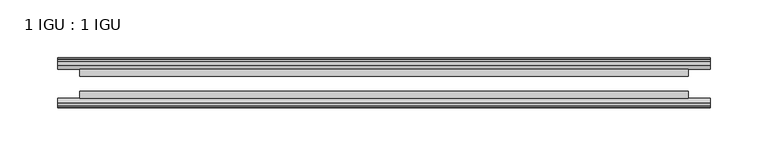
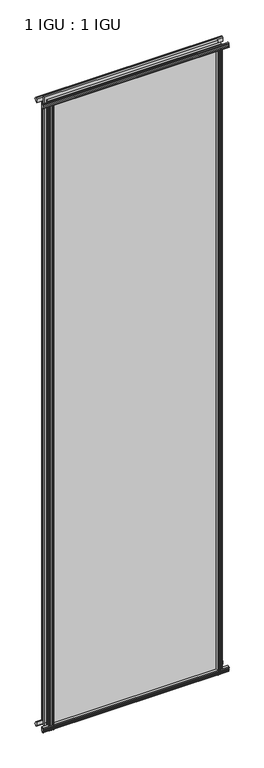
"""IFC4 building model written with IfcOpenShell, lengths in millimetres: plate geometry, 1 IGU : 1 IGU."""

from ifc_helpers import new_model, si_unit, point, frame, frame_2d, origin, place, context, project, spatial, polyline, circle_curve, trimmed, segment, composite_curve, outline, extrude, source, transform, mapped, element, save


def plate_1_igu_1_igu_a8c45f49(model_context):
    return source(origin(), model_context, "Body", "SweptSolid", [
        extrude(outline(composite_curve([segment(polyline([(-46.2359545, 2001.8775265), (-46.2359545, 1990.8553092), (-53.3197108, 1992.2226185)]), True, "CONTINUOUS"), segment(trimmed(circle_curve(frame_2d((-53.1447545, 1993.2234413)), 1.016), [point((-53.3197108, 1992.2226185))], [point((-53.8888005, 1993.9152878))], False, "CARTESIAN"), True, "CONTINUOUS"), segment(polyline([(-53.8888005, 1993.9152878), (-52.5859205, 1993.7314413), (-52.5859205, 1999.1416413), (-54.0652165, 1999.4024811), (-52.5859205, 2001.9864413), (-52.5859205, 2005.1614413)]), True, "CONTINUOUS"), segment(trimmed(circle_curve(frame_2d((-51.3159205, 2005.1614413)), 1.27), [point((-52.5859205, 2005.1614413))], [point((-50.4178949, 2006.059467))], False, "CARTESIAN"), True, "CONTINUOUS"), segment(polyline([(-50.4178949, 2006.059467), (-46.2359545, 2001.8775265)]), True, "CONTINUOUS")], self_intersect=False)), frame((-282.5595272, 0.0, 0.0), z_axis=(1.0, 0.0, 0.0), x_axis=(0.0, 1.0, 0.0)), (0.0, 0.0, 1.0), 565.1190544),
        extrude(outline(polyline([(-17.4323375, 2006.3139519), (-14.4859375, 2006.3139519), (-14.4859375, 2001.8689519), (-12.1057405, 2001.4879519), (-12.5656738, 2002.903481), (-11.7644596, 2002.903481), (-11.0569375, 2000.7259519), (-11.7644596, 1998.5484229), (-12.5656738, 1998.5484229), (-12.1057405, 1999.9639519), (-14.4859375, 1999.5829519), (-14.4859375, 1994.3759519), (-20.8359545, 1992.6582293), (-20.8359545, 2003.4795957), (-17.4323375, 2006.3139519)])), frame((-282.5595272, 0.0, 0.0), z_axis=(1.0, 0.0, 0.0), x_axis=(0.0, 1.0, 0.0)), (0.0, 0.0, 1.0), 565.1190544),
        extrude(outline(polyline([(-20.8359545, 1.2049602), (-14.4859375, -0.5127625), (-14.4859375, -5.7197625), (-12.1057405, -6.1007625), (-12.5656738, -4.6852334), (-11.7644596, -4.6852334), (-11.0569375, -6.8627625), (-11.7644596, -9.0402916), (-12.5656738, -9.0402916), (-12.1057405, -7.6247625), (-14.4859375, -8.0057625), (-14.4859375, -12.4507625), (-17.4323375, -12.4507625), (-20.8359545, -9.6164062), (-20.8359545, 1.2049602)])), frame((-282.5595272, 0.0, 0.0), z_axis=(1.0, 0.0, 0.0), x_axis=(0.0, 1.0, 0.0)), (0.0, 0.0, 1.0), 565.1190544),
        extrude(outline(composite_curve([segment(polyline([(-53.3197108, 1.6405709), (-46.2359545, 3.0078803), (-46.2359545, -8.014337), (-50.4178949, -12.1962775)]), True, "CONTINUOUS"), segment(trimmed(circle_curve(frame_2d((-51.3159205, -11.2982519)), 1.27), [point((-50.4178949, -12.1962775))], [point((-52.5859205, -11.2982519))], False, "CARTESIAN"), True, "CONTINUOUS"), segment(polyline([(-52.5859205, -11.2982519), (-52.5859205, -8.1232519), (-54.0652165, -5.5392917), (-52.5859205, -5.2784519), (-52.5859205, 0.1317481), (-53.8888005, -0.0520983)]), True, "CONTINUOUS"), segment(trimmed(circle_curve(frame_2d((-53.1447545, 0.6397481)), 1.016), [point((-53.8888005, -0.0520983))], [point((-53.3197108, 1.6405709))], False, "CARTESIAN"), True, "CONTINUOUS")], self_intersect=False)), frame((-282.5595272, 0.0, 0.0), z_axis=(1.0, 0.0, 0.0), x_axis=(0.0, 1.0, 0.0)), (0.0, 0.0, 1.0), 565.1190544),
        extrude(outline(polyline([(-258.4590075, -12.1057405), (-259.8745365, -12.5656738), (-259.8745365, -11.7644596), (-257.6970075, -11.0569375), (-255.5194784, -11.7644596), (-255.5194784, -12.5656738), (-256.9350075, -12.1057405), (-256.5540075, -14.4859375), (-251.3470075, -14.4859375), (-249.6292894, -20.8359375), (-260.4506653, -20.8359375), (-263.2850075, -17.4323375), (-263.2850075, -14.4859375), (-258.8400075, -14.4859375), (-258.4590075, -12.1057405)])), frame((0.0, 0.0, -12.6752823), z_axis=(0.0, 0.0, 1.0), x_axis=(1.0, 0.0, 0.0)), (0.0, 0.0, 1.0), 2006.5384717),
        extrude(outline(composite_curve([segment(polyline([(-258.848565, -46.2359375), (-247.8263614, -46.2359375), (-249.1936741, -53.3197108)]), True, "CONTINUOUS"), segment(trimmed(circle_curve(frame_2d((-250.1944969, -53.1447545)), 1.016), [point((-249.1936741, -53.3197108))], [point((-250.8863433, -53.8888005))], False, "CARTESIAN"), True, "CONTINUOUS"), segment(polyline([(-250.8863433, -53.8888005), (-250.7024969, -52.5859205), (-256.1126969, -52.5859205), (-256.3735367, -54.0652165), (-258.9574969, -52.5859205), (-262.1324969, -52.5859205)]), True, "CONTINUOUS"), segment(trimmed(circle_curve(frame_2d((-262.1324969, -51.3159205)), 1.27), [point((-262.1324969, -52.5859205))], [point((-263.0305225, -50.4178949))], False, "CARTESIAN"), True, "CONTINUOUS"), segment(polyline([(-263.0305225, -50.4178949), (-258.848565, -46.2359375)]), True, "CONTINUOUS")], self_intersect=False)), frame((0.0, 0.0, -12.6752823), z_axis=(0.0, 0.0, 1.0), x_axis=(1.0, 0.0, 0.0)), (0.0, 0.0, 1.0), 2006.5384717),
        extrude(outline(composite_curve([segment(polyline([(249.1936741, -53.3197108), (247.8263614, -46.2359375), (258.848565, -46.2359375), (263.0305225, -50.4178949)]), True, "CONTINUOUS"), segment(trimmed(circle_curve(frame_2d((262.1324969, -51.3159205)), 1.27), [point((263.0305225, -50.4178949))], [point((262.1324969, -52.5859205))], False, "CARTESIAN"), True, "CONTINUOUS"), segment(polyline([(262.1324969, -52.5859205), (258.9574969, -52.5859205), (256.3735367, -54.0652165), (256.1126969, -52.5859205), (250.7024969, -52.5859205), (250.9254603, -53.8504091)]), True, "CONTINUOUS"), segment(trimmed(circle_curve(frame_2d((250.1944969, -53.1447545)), 1.016), [point((250.9254603, -53.8504091))], [point((249.1936741, -53.3197108))], False, "CARTESIAN"), True, "CONTINUOUS")], self_intersect=False)), frame((0.0, 0.0, -12.6752823), z_axis=(0.0, 0.0, 1.0), x_axis=(1.0, 0.0, 0.0)), (0.0, 0.0, 1.0), 2006.5384717),
        extrude(outline(polyline([(255.5194784, -11.7644596), (257.6970075, -11.0569375), (259.8745365, -11.7644596), (259.8745365, -12.5656738), (258.4590075, -12.1057405), (258.8400075, -14.4859375), (263.2850075, -14.4859375), (263.2850075, -17.4323375), (260.4506653, -20.8359375), (249.6292894, -20.8359375), (251.3470075, -14.4859375), (256.5540075, -14.4859375), (256.9350075, -12.1057405), (255.5194784, -12.5656738), (255.5194784, -11.7644596)])), frame((0.0, 0.0, -12.6752823), z_axis=(0.0, 0.0, 1.0), x_axis=(1.0, 0.0, 0.0)), (0.0, 0.0, 1.0), 2006.5384717),
        extrude(outline(polyline([(263.5095272, -20.8359375), (263.5095272, -27.1859375), (-263.5095272, -27.1859375), (-263.5095272, -20.8359375), (263.5095272, -20.8359375)])), frame((0.0, 0.0, -12.6752823), z_axis=(0.0, 0.0, 1.0), x_axis=(1.0, 0.0, 0.0)), (0.0, 0.0, 1.0), 2019.213754),
        extrude(outline(polyline([(-263.5095272, -46.2359375), (-263.5095272, -39.8859375), (263.5095272, -39.8859375), (263.5095272, -46.2359375), (-263.5095272, -46.2359375)])), frame((0.0, 0.0, -12.6752823), z_axis=(0.0, 0.0, 1.0), x_axis=(1.0, 0.0, 0.0)), (0.0, 0.0, 1.0), 2019.213754),
    ])


if __name__ == "__main__":
    model = new_model("IFC4")
    model_context = context("Model", 3, world=origin())
    ifc_project = project(units=[si_unit("LENGTHUNIT", "METRE", prefix="MILLI")], contexts=[model_context])
    site = spatial("IfcSite", under=ifc_project)
    building = spatial("IfcBuilding", under=site)
    placement = place(None, origin())
    plate_1_igu_1_igu_shape = plate_1_igu_1_igu_a8c45f49(model_context)
    element("IfcPlate", 1, ObjectType="1 IGU : 1 IGU", at=placement, inside=building, context=model_context, shape_type="MappedRepresentation", body=[
        mapped(plate_1_igu_1_igu_shape, transform((0.0, 0.0, 0.0), x_axis=(1.0, 0.0, 0.0), y_axis=(0.0, 1.0, 0.0), z_axis=(0.0, 0.0, 1.0))),
    ])
    save(model, "model.ifc")
